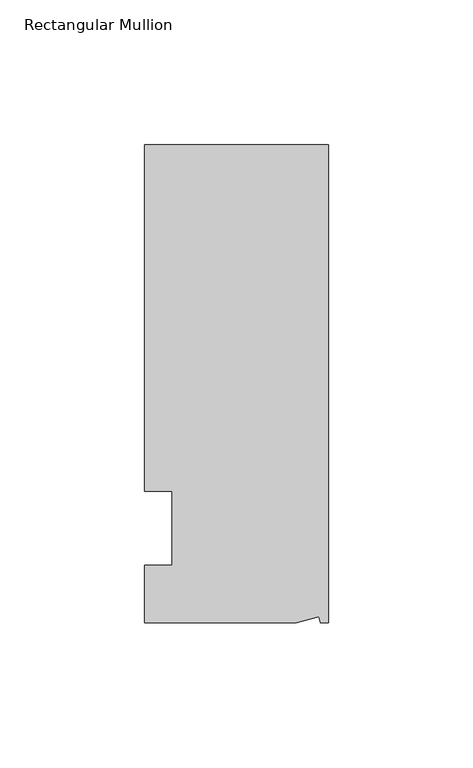
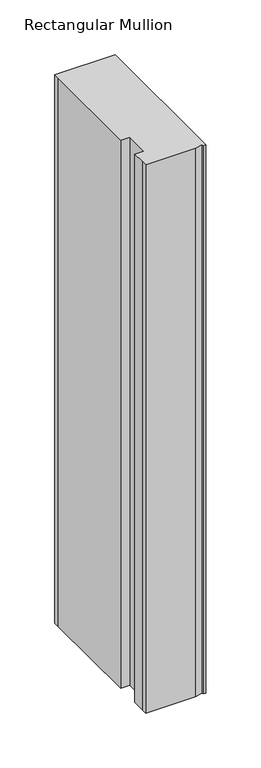
"""IFC4 building model written with IfcOpenShell, lengths in millimetres: member geometry, Rectangular Mullion."""

from ifc_helpers import new_model, si_unit, origin, place, context, project, spatial, faceted_brep, source, transform, mapped, element, save


def rectangular_mullion_b6c7a3f5(model_context):
    return source(origin(), model_context, "Body", "Brep", [
        faceted_brep([(0.0, 132.5561012, 0.0), (-63.5, 132.5561012, 0.0), (-63.5, 126.2061012, 0.0), (-63.5, 12.8488281, 0.0), (-53.975, 12.8488281, 0.0), (-53.975, -12.7, 0.0), (-63.5, -12.7, 0.0), (-63.5, -26.1938988, 0.0), (-63.5076469, -32.5438988, 0.0), (-11.1125, -32.5438988, 0.0), (-3.3223696, -30.4565397, 0.0), (-2.7630634, -32.5438988, 0.0), (0.0, -32.5438988, 0.0), (0.0, 132.5561012, -609.6), (0.0, -32.5438988, -609.6), (-2.7630634, -32.5438988, -609.6), (-3.3223696, -30.4565397, -609.6), (-11.1125, -32.5438988, -609.6), (-63.5076469, -32.5438988, -609.6), (-63.5076469, -26.1938988, -609.6), (-63.5, -12.7, -609.6), (-53.975, -12.7, -609.6), (-53.975, 12.8488281, -609.6), (-63.5, 12.8488281, -609.6), (-63.5, 126.2061012, -609.6), (-63.5, 132.5561012, -609.6)], [[[0, 1, 2, 3, 4, 5, 6, 7, 8, 9, 10, 11, 12]], [[13, 14, 15, 16, 17, 18, 19, 20, 21, 22, 23, 24, 25]], [[0, 12, 14, 13]], [[1, 0, 13, 25]], [[3, 2, 24, 23]], [[4, 3, 23, 22]], [[5, 4, 22, 21]], [[6, 5, 21, 20]], [[7, 6, 20, 19]], [[9, 8, 18, 17]], [[10, 9, 17, 16]], [[11, 10, 16, 15]], [[12, 11, 15, 14]], [[2, 1, 25, 24]], [[8, 7, 19, 18]]]),
    ])


if __name__ == "__main__":
    model = new_model("IFC4")
    model_context = context("Model", 3, world=origin())
    ifc_project = project(units=[si_unit("LENGTHUNIT", "METRE", prefix="MILLI")], contexts=[model_context])
    site = spatial("IfcSite", under=ifc_project)
    building = spatial("IfcBuilding", under=site)
    placement = place(None, origin())
    rectangular_mullion_shape = rectangular_mullion_b6c7a3f5(model_context)
    element("IfcMember", 1, ObjectType="Rectangular Mullion", at=placement, inside=building, context=model_context, shape_type="MappedRepresentation", body=[
        mapped(rectangular_mullion_shape, transform((0.0, 0.0, 0.0), x_axis=(1.0, 0.0, 0.0), y_axis=(0.0, 1.0, 0.0), z_axis=(0.0, 0.0, 1.0))),
    ])
    save(model, "model.ifc")
